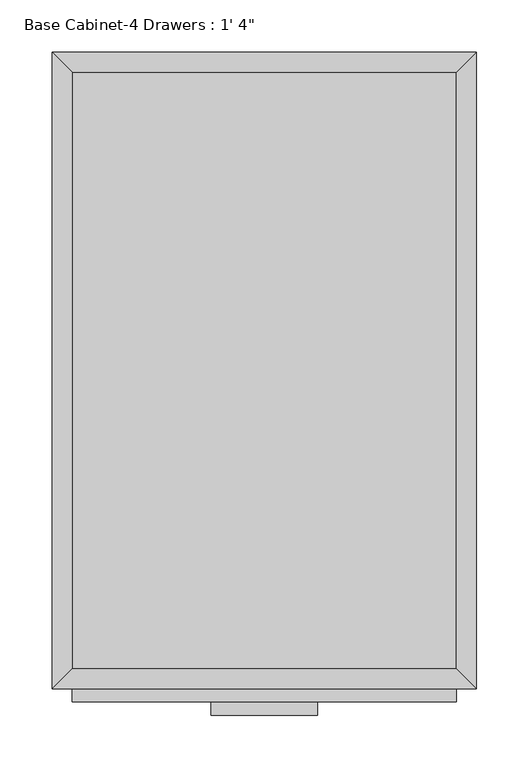
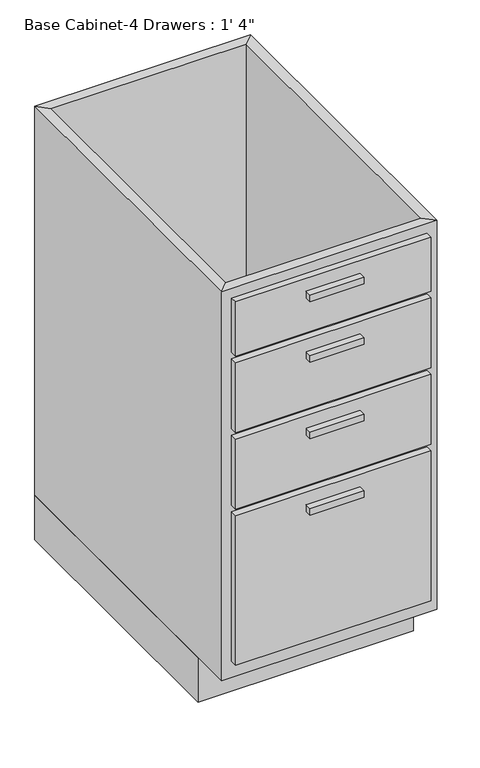
"""IFC4 building model written with IfcOpenShell, lengths in millimetres: furniture geometry."""

from ifc_helpers import new_model, si_unit, frame, origin, origin_with_axes, place, context, project, spatial, polyline, outline, extrude, faceted_brep, source, transform, mapped, element, save


def furniture_4e6be83d(model_context):
    return source(origin(), model_context, "Body", "SolidModel", [
        extrude(outline(polyline([(69.5377049, -635.0), (-32.0622951, -635.0), (-32.0622951, -622.3), (69.5377049, -622.3), (69.5377049, -635.0)])), frame((0.0, 0.0, 806.45), z_axis=(0.0, 0.0, 1.0), x_axis=(1.0, 0.0, 0.0)), (0.0, 0.0, 1.0), 12.7),
        extrude(outline(polyline([(69.5377049, -635.0), (-32.0622951, -635.0), (-32.0622951, -622.3), (69.5377049, -622.3), (69.5377049, -635.0)])), frame((0.0, 0.0, 685.8), z_axis=(0.0, 0.0, 1.0), x_axis=(1.0, 0.0, 0.0)), (0.0, 0.0, 1.0), 12.7),
        extrude(outline(polyline([(69.5377049, -635.0), (-32.0622951, -635.0), (-32.0622951, -622.3), (69.5377049, -622.3), (69.5377049, -635.0)])), frame((0.0, 0.0, 533.4), z_axis=(0.0, 0.0, 1.0), x_axis=(1.0, 0.0, 0.0)), (0.0, 0.0, 1.0), 12.7),
        extrude(outline(polyline([(69.5377049, -635.0), (-32.0622951, -635.0), (-32.0622951, -622.3), (69.5377049, -622.3), (69.5377049, -635.0)])), frame((0.0, 0.0, 381.0), z_axis=(0.0, 0.0, 1.0), x_axis=(1.0, 0.0, 0.0)), (0.0, 0.0, 1.0), 12.7),
        extrude(outline(polyline([(202.8877049, -622.3), (-165.4122951, -622.3), (-165.4122951, -609.6), (202.8877049, -609.6), (202.8877049, -622.3)])), frame((0.0, 0.0, 736.6), z_axis=(0.0, 0.0, 1.0), x_axis=(1.0, 0.0, 0.0)), (0.0, 0.0, 1.0), 107.95),
        extrude(outline(polyline([(202.8877049, -622.3), (-165.4122951, -622.3), (-165.4122951, -609.6), (202.8877049, -609.6), (202.8877049, -622.3)])), frame((0.0, 0.0, 584.2), z_axis=(0.0, 0.0, 1.0), x_axis=(1.0, 0.0, 0.0)), (0.0, 0.0, 1.0), 139.7),
        extrude(outline(polyline([(202.8877049, -622.3), (-165.4122951, -622.3), (-165.4122951, -609.6), (202.8877049, -609.6), (202.8877049, -622.3)])), frame((0.0, 0.0, 431.8), z_axis=(0.0, 0.0, 1.0), x_axis=(1.0, 0.0, 0.0)), (0.0, 0.0, 1.0), 139.7),
        extrude(outline(polyline([(202.8877049, -622.3), (-165.4122951, -622.3), (-165.4122951, -609.6), (202.8877049, -609.6), (202.8877049, -622.3)])), frame((0.0, 0.0, 120.65), z_axis=(0.0, 0.0, 1.0), x_axis=(1.0, 0.0, 0.0)), (0.0, 0.0, 1.0), 298.45),
        extrude(outline(polyline([(202.8877049, -19.05), (202.8877049, -590.55), (-165.4122951, -590.55), (-165.4122951, -19.05), (202.8877049, -19.05)])), frame((0.0, 0.0, 88.9), z_axis=(0.0, 0.0, 1.0), x_axis=(1.0, 0.0, 0.0)), (0.0, 0.0, 1.0), 19.05),
        faceted_brep([(202.8877049, -590.55, 863.6), (202.8877049, -590.55, 88.9), (-165.4122951, -590.55, 88.9), (-165.4122951, -590.55, 863.6), (221.9377049, -609.6, 863.6), (-184.4622951, -609.6, 863.6), (221.9377049, -609.6, 88.9), (-184.4622951, -609.6, 88.9), (-165.4122951, -19.05, 88.9), (-165.4122951, -19.05, 863.6), (-184.4622951, 0.0, 863.6), (-184.4622951, 0.0, 88.9), (202.8877049, -19.05, 88.9), (202.8877049, -19.05, 863.6), (221.9377049, 0.0, 863.6), (221.9377049, 0.0, 88.9)], [[[0, 1, 2, 3]], [[4, 0, 3, 5]], [[6, 4, 5, 7]], [[1, 6, 7, 2]], [[3, 2, 8, 9]], [[5, 3, 9, 10]], [[7, 5, 10, 11]], [[2, 7, 11, 8]], [[9, 8, 12, 13]], [[10, 9, 13, 14]], [[11, 10, 14, 15]], [[8, 11, 15, 12]], [[13, 12, 1, 0]], [[14, 13, 0, 4]], [[15, 14, 4, 6]], [[12, 15, 6, 1]]]),
        extrude(outline(polyline([(221.9377049, 0.0), (221.9377049, -533.4), (-184.4622951, -533.4), (-184.4622951, 0.0), (221.9377049, 0.0)])), origin_with_axes(), (0.0, 0.0, 1.0), 88.9),
    ])


if __name__ == "__main__":
    model = new_model("IFC4")
    model_context = context("Model", 3, world=origin())
    ifc_project = project(units=[si_unit("LENGTHUNIT", "METRE", prefix="MILLI")], contexts=[model_context])
    site = spatial("IfcSite", under=ifc_project)
    building = spatial("IfcBuilding", under=site)
    placement = place(None, origin())
    furniture_shape = furniture_4e6be83d(model_context)
    element("IfcFurniture", 1, ObjectType="Base Cabinet-4 Drawers : 1' 4\"", at=placement, inside=building, context=model_context, shape_type="MappedRepresentation", body=[
        mapped(furniture_shape, transform((0.0, 0.0, 0.0), x_axis=(1.0, 0.0, 0.0), y_axis=(0.0, 1.0, 0.0), z_axis=(0.0, 0.0, 1.0))),
    ])
    save(model, "model.ifc")
